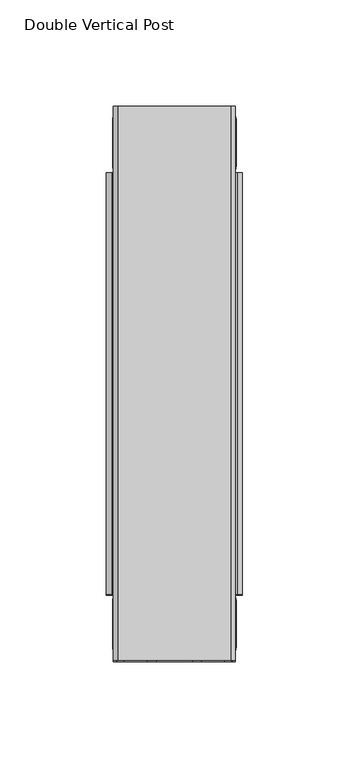
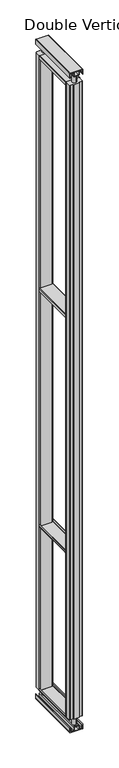
"""IFC4 building model written with IfcOpenShell, lengths in millimetres: proxy geometry, Double Vertical Post."""

from ifc_helpers import new_model, si_unit, point, frame, frame_2d, origin, place, context, project, spatial, polyline, circle_curve, trimmed, segment, composite_curve, outline, extrude, source, transform, mapped, element, save


def double_vertical_post_8d797214(model_context):
    return source(origin(), model_context, "Body", "SweptSolid", [
        extrude(outline(composite_curve([segment(trimmed(circle_curve(frame_2d((105.9844667, 9.4130426)), 9.647555), [point((105.9844667, 19.0605976))], [point((105.9844667, -0.2345124))], False, "CARTESIAN"), True, "CONTINUOUS"), segment(trimmed(circle_curve(frame_2d((105.9844667, 9.4130426)), 9.647555), [point((105.9844667, -0.2345124))], [point((105.9844667, 19.0605976))], False, "CARTESIAN"), True, "CONTINUOUS")], self_intersect=False)), frame((0.0, 0.0, 22.59584), z_axis=(0.0, 0.0, 1.0), x_axis=(1.0, 0.0, 0.0)), (0.0, 0.0, 1.0), 3015.50832),
        extrude(outline(composite_curve([segment(trimmed(circle_curve(frame_2d((105.9844667, 237.2304325)), 9.647555), [point((105.9844667, 246.8779875))], [point((105.9844667, 227.5828775))], False, "CARTESIAN"), True, "CONTINUOUS"), segment(trimmed(circle_curve(frame_2d((105.9844667, 237.2304325)), 9.647555), [point((105.9844667, 227.5828775))], [point((105.9844667, 246.8779875))], False, "CARTESIAN"), True, "CONTINUOUS")], self_intersect=False)), frame((0.0, 0.0, 22.59584), z_axis=(0.0, 0.0, 1.0), x_axis=(1.0, 0.0, 0.0)), (0.0, 0.0, 1.0), 3015.50832),
        extrude(outline(composite_curve([segment(polyline([(1.2192, 78.5905667), (22.1742, 78.5905667), (22.1742, 77.3713667), (2.2593983, 77.3713667)]), True, "CONTINUOUS"), segment(trimmed(circle_curve(frame_2d((2.2593983, 79.630765)), 2.2593983), [point((2.2593983, 77.3713667))], [point((0.0, 79.630765))], False, "CARTESIAN"), True, "CONTINUOUS"), segment(polyline([(0.0, 79.630765), (0.0, 132.4154333)]), True, "CONTINUOUS"), segment(trimmed(circle_curve(frame_2d((2.1821334, 132.4154333)), 2.1821334), [point((0.0, 132.4154333))], [point((2.1821334, 134.5975667))], False, "CARTESIAN"), True, "CONTINUOUS"), segment(polyline([(2.1821334, 134.5975667), (22.1742, 134.5975667), (22.1742, 133.3783667), (1.2192, 133.3783667), (1.2192, 78.5905667)]), True, "CONTINUOUS")], self_intersect=False)), frame((0.0, -6.8532625, 0.0), z_axis=(0.0, 1.0, 0.0), x_axis=(0.0, 0.0, 1.0)), (0.0, 0.0, 1.0), 260.35),
        extrude(outline(composite_curve([segment(polyline([(6.21284, 82.2208617), (15.875, 82.2208617), (15.875, 79.1830217), (3.175, 79.1830217), (3.175, 96.3280217), (19.558, 96.3280217), (19.558, 115.6320217), (3.175, 115.6320217), (3.175, 132.7770217), (15.875, 132.7770217), (15.875, 129.7391817), (6.21284, 129.7391817), (6.21284, 118.6698617), (18.2719045, 118.6698617)]), True, "CONTINUOUS"), segment(trimmed(circle_curve(frame_2d((18.2719045, 114.3459261)), 4.3239355), [point((18.2719045, 118.6698617))], [point((22.59584, 114.3459261))], False, "CARTESIAN"), True, "CONTINUOUS"), segment(polyline([(22.59584, 114.3459261), (22.59584, 97.5442401)]), True, "CONTINUOUS"), segment(trimmed(circle_curve(frame_2d((18.3417816, 97.5442401)), 4.2540584), [point((22.59584, 97.5442401))], [point((18.3417816, 93.2901817))], False, "CARTESIAN"), True, "CONTINUOUS"), segment(polyline([(18.3417816, 93.2901817), (6.21284, 93.2901817), (6.21284, 82.2208617)]), True, "CONTINUOUS")], self_intersect=False)), frame((0.0, -6.8532625, 0.0), z_axis=(0.0, 1.0, 0.0), x_axis=(0.0, 0.0, 1.0)), (0.0, 0.0, 1.0), 260.35),
        extrude(outline(composite_curve([segment(polyline([(3054.48716, 82.2208617), (3054.48716, 93.2901817), (3042.8687642, 93.2901817)]), True, "CONTINUOUS"), segment(trimmed(circle_curve(frame_2d((3042.8687642, 98.0547859)), 4.7646042), [point((3042.8687642, 93.2901817))], [point((3038.10416, 98.0547859))], False, "CARTESIAN"), True, "CONTINUOUS"), segment(polyline([(3038.10416, 98.0547859), (3038.10416, 114.0450554)]), True, "CONTINUOUS"), segment(trimmed(circle_curve(frame_2d((3042.7289663, 114.0450554)), 4.6248063), [point((3038.10416, 114.0450554))], [point((3042.7289663, 118.6698617))], False, "CARTESIAN"), True, "CONTINUOUS"), segment(polyline([(3042.7289663, 118.6698617), (3054.48716, 118.6698617), (3054.48716, 129.7391817), (3044.825, 129.7391817), (3044.825, 132.7770217), (3057.525, 132.7770217), (3057.525, 115.6320217), (3041.142, 115.6320217), (3041.142, 96.3280217), (3057.525, 96.3280217), (3057.525, 79.1830217), (3044.825, 79.1830217), (3044.825, 82.2208617), (3054.48716, 82.2208617)]), True, "CONTINUOUS")], self_intersect=False)), frame((0.0, -6.8532625, 0.0), z_axis=(0.0, 1.0, 0.0), x_axis=(0.0, 0.0, 1.0)), (0.0, 0.0, 1.0), 260.35),
        extrude(outline(composite_curve([segment(polyline([(3038.5258, 133.3783667), (3038.5258, 134.5975667), (3058.4879927, 134.5975667)]), True, "CONTINUOUS"), segment(trimmed(circle_curve(frame_2d((3058.4879927, 132.3855594)), 2.2120073), [point((3058.4879927, 134.5975667))], [point((3060.7, 132.3855594))], False, "CARTESIAN"), True, "CONTINUOUS"), segment(polyline([(3060.7, 132.3855594), (3060.7, 79.4363457)]), True, "CONTINUOUS"), segment(trimmed(circle_curve(frame_2d((3058.635021, 79.4363457)), 2.064979), [point((3060.7, 79.4363457))], [point((3058.635021, 77.3713667))], False, "CARTESIAN"), True, "CONTINUOUS"), segment(polyline([(3058.635021, 77.3713667), (3038.5258, 77.3713667), (3038.5258, 78.5905667), (3059.4808, 78.5905667), (3059.4808, 133.3783667), (3038.5258, 133.3783667)]), True, "CONTINUOUS")], self_intersect=False)), frame((0.0, -6.8532625, 0.0), z_axis=(0.0, 1.0, 0.0), x_axis=(0.0, 0.0, 1.0)), (0.0, 0.0, 1.0), 260.35),
        extrude(outline(composite_curve([segment(polyline([(2991.7877494, 137.9122667), (3002.1648238, 137.9122667)]), True, "CONTINUOUS"), segment(trimmed(circle_curve(frame_2d((3002.1648238, 135.5893411)), 2.3229256), [point((3002.1648238, 137.9122667))], [point((3004.4877494, 135.5893411))], False, "CARTESIAN"), True, "CONTINUOUS"), segment(polyline([(3004.4877494, 135.5893411), (3004.4877494, 76.515637)]), True, "CONTINUOUS"), segment(trimmed(circle_curve(frame_2d((3002.0287791, 76.515637)), 2.4589703), [point((3004.4877494, 76.515637))], [point((3002.0287791, 74.0566667))], False, "CARTESIAN"), True, "CONTINUOUS"), segment(polyline([(3002.0287791, 74.0566667), (2991.7877494, 74.0566667), (2991.7877494, 75.6441667), (3002.0624022, 75.6441667)]), True, "CONTINUOUS"), segment(trimmed(circle_curve(frame_2d((3002.0624022, 76.4820139)), 0.8378472), [point((3002.0624022, 75.6441667))], [point((3002.9002494, 76.4820139))], True, "CARTESIAN"), True, "CONTINUOUS"), segment(polyline([(3002.9002494, 76.4820139), (3002.9002494, 135.3009499)]), True, "CONTINUOUS"), segment(trimmed(circle_curve(frame_2d((3001.8764326, 135.3009499)), 1.0238168), [point((3002.9002494, 135.3009499))], [point((3001.8764326, 136.3247667))], True, "CARTESIAN"), True, "CONTINUOUS"), segment(polyline([(3001.8764326, 136.3247667), (2991.7877494, 136.3247667), (2991.7877494, 137.9122667)]), True, "CONTINUOUS")], self_intersect=False)), frame((0.0, 24.3217375, 0.0), z_axis=(0.0, 1.0, 0.0), x_axis=(0.0, 0.0, 1.0)), (0.0, 0.0, 1.0), 198.0),
        extrude(outline(composite_curve([segment(polyline([(1912.2877494, 137.9122667), (1922.5181301, 137.9122667)]), True, "CONTINUOUS"), segment(trimmed(circle_curve(frame_2d((1922.5181301, 135.4426474)), 2.4696193), [point((1922.5181301, 137.9122667))], [point((1924.9877494, 135.4426474))], False, "CARTESIAN"), True, "CONTINUOUS"), segment(polyline([(1924.9877494, 135.4426474), (1924.9877494, 76.8011731)]), True, "CONTINUOUS"), segment(trimmed(circle_curve(frame_2d((1922.243243, 76.8011731)), 2.7445064), [point((1924.9877494, 76.8011731))], [point((1922.243243, 74.0566667))], False, "CARTESIAN"), True, "CONTINUOUS"), segment(polyline([(1922.243243, 74.0566667), (1912.2877494, 74.0566667), (1912.2877494, 75.6441667), (1922.589607, 75.6441667)]), True, "CONTINUOUS"), segment(trimmed(circle_curve(frame_2d((1922.589607, 76.4548091)), 0.8106424), [point((1922.589607, 75.6441667))], [point((1923.4002494, 76.4548091))], True, "CARTESIAN"), True, "CONTINUOUS"), segment(polyline([(1923.4002494, 76.4548091), (1923.4002494, 135.3843411)]), True, "CONTINUOUS"), segment(trimmed(circle_curve(frame_2d((1922.4598238, 135.3843411)), 0.9404256), [point((1923.4002494, 135.3843411))], [point((1922.4598238, 136.3247667))], True, "CARTESIAN"), True, "CONTINUOUS"), segment(polyline([(1922.4598238, 136.3247667), (1912.2877494, 136.3247667), (1912.2877494, 137.9122667)]), True, "CONTINUOUS")], self_intersect=False)), frame((0.0, 24.3217375, 0.0), z_axis=(0.0, 1.0, 0.0), x_axis=(0.0, 0.0, 1.0)), (0.0, 0.0, 1.0), 198.0),
        extrude(outline(composite_curve([segment(polyline([(830.8848, 74.0566667), (820.8647798, 74.0566667)]), True, "CONTINUOUS"), segment(trimmed(circle_curve(frame_2d((820.8647798, 76.7366464)), 2.6799798), [point((820.8647798, 74.0566667))], [point((818.1848, 76.7366464))], False, "CARTESIAN"), True, "CONTINUOUS"), segment(polyline([(818.1848, 76.7366464), (818.1848, 135.2845647)]), True, "CONTINUOUS"), segment(trimmed(circle_curve(frame_2d((820.812502, 135.2845647)), 2.627702), [point((818.1848, 135.2845647))], [point((820.812502, 137.9122667))], False, "CARTESIAN"), True, "CONTINUOUS"), segment(polyline([(820.812502, 137.9122667), (830.8848, 137.9122667), (830.8848, 136.3247667), (820.7311586, 136.3247667)]), True, "CONTINUOUS"), segment(trimmed(circle_curve(frame_2d((820.7311586, 135.3659081)), 0.9588586), [point((820.7311586, 136.3247667))], [point((819.7723, 135.3659081))], True, "CARTESIAN"), True, "CONTINUOUS"), segment(polyline([(819.7723, 135.3659081), (819.7723, 76.7047433)]), True, "CONTINUOUS"), segment(trimmed(circle_curve(frame_2d((820.8328766, 76.7047433)), 1.0605766), [point((819.7723, 76.7047433))], [point((820.8328766, 75.6441667))], True, "CARTESIAN"), True, "CONTINUOUS"), segment(polyline([(820.8328766, 75.6441667), (830.8848, 75.6441667), (830.8848, 74.0566667)]), True, "CONTINUOUS")], self_intersect=False)), frame((0.0, 24.3217375, 0.0), z_axis=(0.0, 1.0, 0.0), x_axis=(0.0, 0.0, 1.0)), (0.0, 0.0, 1.0), 198.0),
        extrude(outline(composite_curve([segment(polyline([(58.8357878, 137.9122667), (68.8848, 137.9122667), (68.8848, 136.3247667), (58.6926169, 136.3247667)]), True, "CONTINUOUS"), segment(trimmed(circle_curve(frame_2d((58.6926169, 135.4044497)), 0.9203169), [point((58.6926169, 136.3247667))], [point((57.7723, 135.4044497))], True, "CARTESIAN"), True, "CONTINUOUS"), segment(polyline([(57.7723, 135.4044497), (57.7723, 76.4477156)]), True, "CONTINUOUS"), segment(trimmed(circle_curve(frame_2d((58.5758489, 76.4477156)), 0.8035489), [point((57.7723, 76.4477156))], [point((58.5758489, 75.6441667))], True, "CARTESIAN"), True, "CONTINUOUS"), segment(polyline([(58.5758489, 75.6441667), (68.8848, 75.6441667), (68.8848, 74.0566667), (58.8694686, 74.0566667)]), True, "CONTINUOUS"), segment(trimmed(circle_curve(frame_2d((58.8694686, 76.7413353)), 2.6846686), [point((58.8694686, 74.0566667))], [point((56.1848, 76.7413353))], False, "CARTESIAN"), True, "CONTINUOUS"), segment(polyline([(56.1848, 76.7413353), (56.1848, 135.2612789)]), True, "CONTINUOUS"), segment(trimmed(circle_curve(frame_2d((58.8357878, 135.2612789)), 2.6509878), [point((56.1848, 135.2612789))], [point((58.8357878, 137.9122667))], False, "CARTESIAN"), True, "CONTINUOUS")], self_intersect=False)), frame((0.0, 24.3217375, 0.0), z_axis=(0.0, 1.0, 0.0), x_axis=(0.0, 0.0, 1.0)), (0.0, 0.0, 1.0), 198.0),
        extrude(outline(composite_curve([segment(polyline([(118.6844667, 253.4967375), (118.6844667, 250.3217375), (132.1972667, 250.3217375)]), True, "CONTINUOUS"), segment(trimmed(circle_curve(frame_2d((132.1972667, 247.5277375)), 2.794), [point((132.1972667, 250.3217375))], [point((134.9912667, 247.5277375))], False, "CARTESIAN"), True, "CONTINUOUS"), segment(polyline([(134.9912667, 247.5277375), (134.9912667, 225.1157375)]), True, "CONTINUOUS"), segment(trimmed(circle_curve(frame_2d((132.1972667, 225.1157375)), 2.794), [point((134.9912667, 225.1157375))], [point((132.1972667, 222.3217375))], False, "CARTESIAN"), True, "CONTINUOUS"), segment(polyline([(132.1972667, 222.3217375), (79.7716667, 222.3217375)]), True, "CONTINUOUS"), segment(trimmed(circle_curve(frame_2d((79.7716667, 225.1157375)), 2.794), [point((79.7716667, 222.3217375))], [point((76.9776667, 225.1157375))], False, "CARTESIAN"), True, "CONTINUOUS"), segment(polyline([(76.9776667, 225.1157375), (76.9776667, 247.5277375)]), True, "CONTINUOUS"), segment(trimmed(circle_curve(frame_2d((79.7716667, 247.5277375)), 2.794), [point((76.9776667, 247.5277375))], [point((79.7716667, 250.3217375))], False, "CARTESIAN"), True, "CONTINUOUS"), segment(polyline([(79.7716667, 250.3217375), (93.2844667, 250.3217375), (93.2844667, 253.4967375), (118.6844667, 253.4967375)]), True, "CONTINUOUS")], self_intersect=False)), frame((0.0, 0.0, 57.15), z_axis=(0.0, 0.0, 1.0), x_axis=(1.0, 0.0, 0.0)), (0.0, 0.0, 1.0), 2946.4957122),
        extrude(outline(composite_curve([segment(polyline([(118.6844667, -6.8532625), (93.2844667, -6.8532625), (93.2844667, -3.6782625), (79.7716667, -3.6782625)]), True, "CONTINUOUS"), segment(trimmed(circle_curve(frame_2d((79.7716667, -0.8842625)), 2.794), [point((79.7716667, -3.6782625))], [point((76.9776667, -0.8842625))], False, "CARTESIAN"), True, "CONTINUOUS"), segment(polyline([(76.9776667, -0.8842625), (76.9776667, 21.5277375)]), True, "CONTINUOUS"), segment(trimmed(circle_curve(frame_2d((79.7716667, 21.5277375)), 2.794), [point((76.9776667, 21.5277375))], [point((79.7716667, 24.3217375))], False, "CARTESIAN"), True, "CONTINUOUS"), segment(polyline([(79.7716667, 24.3217375), (132.1972667, 24.3217375)]), True, "CONTINUOUS"), segment(trimmed(circle_curve(frame_2d((132.1972667, 21.5277375)), 2.794), [point((132.1972667, 24.3217375))], [point((134.9912667, 21.5277375))], False, "CARTESIAN"), True, "CONTINUOUS"), segment(polyline([(134.9912667, 21.5277375), (134.9912667, -0.8842625)]), True, "CONTINUOUS"), segment(trimmed(circle_curve(frame_2d((132.1972667, -0.8842625)), 2.794), [point((134.9912667, -0.8842625))], [point((132.1972667, -3.6782625))], False, "CARTESIAN"), True, "CONTINUOUS"), segment(polyline([(132.1972667, -3.6782625), (118.6844667, -3.6782625), (118.6844667, -6.8532625)]), True, "CONTINUOUS")], self_intersect=False)), frame((0.0, 0.0, 57.15), z_axis=(0.0, 0.0, 1.0), x_axis=(1.0, 0.0, 0.0)), (0.0, 0.0, 1.0), 2946.4957122),
    ])


if __name__ == "__main__":
    model = new_model("IFC4")
    model_context = context("Model", 3, world=origin())
    ifc_project = project(units=[si_unit("LENGTHUNIT", "METRE", prefix="MILLI")], contexts=[model_context])
    site = spatial("IfcSite", under=ifc_project)
    building = spatial("IfcBuilding", under=site)
    placement = place(None, origin())
    double_vertical_post_shape = double_vertical_post_8d797214(model_context)
    element("IfcBuildingElementProxy", 1, Name="Double Vertical Post", ObjectType="Double Vertical Post", at=placement, inside=building, context=model_context, shape_type="MappedRepresentation", body=[
        mapped(double_vertical_post_shape, transform((0.0, 0.0, 0.0), x_axis=(1.0, 0.0, 0.0), y_axis=(0.0, 1.0, 0.0), z_axis=(0.0, 0.0, 1.0))),
    ])
    save(model, "model.ifc")
